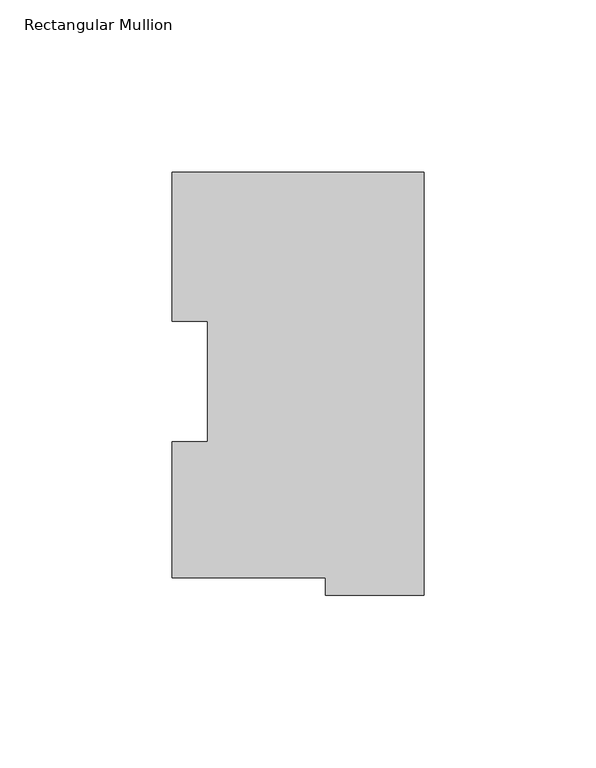
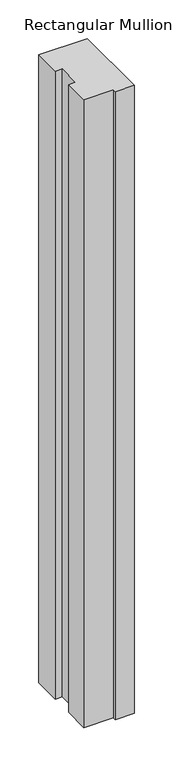
"""IFC4 building model written with IfcOpenShell, lengths in millimetres: member geometry, Rectangular Mullion."""

from ifc_helpers import new_model, si_unit, frame, origin, place, context, project, spatial, polyline, outline, extrude, source, transform, mapped, element, save


def rectangular_mullion_c4052246(model_context):
    return source(origin(), model_context, "Body", "SweptSolid", [
        extrude(outline(polyline([(-73.025, 117.827425), (0.0, 117.827425), (0.0, -4.778375), (-28.575, -4.778375), (-28.575, 0.225425), (-73.025, 0.225425), (-73.025, 39.646225), (-62.7126, 39.646225), (-62.7126, 74.596625), (-73.025, 74.596625), (-73.025, 117.827425)])), frame((0.0, 0.0, -995.333925), z_axis=(0.0, 0.0, 1.0), x_axis=(1.0, 0.0, 0.0)), (0.0, 0.0, 1.0), 995.333925),
    ])


if __name__ == "__main__":
    model = new_model("IFC4")
    model_context = context("Model", 3, world=origin())
    ifc_project = project(units=[si_unit("LENGTHUNIT", "METRE", prefix="MILLI")], contexts=[model_context])
    site = spatial("IfcSite", under=ifc_project)
    building = spatial("IfcBuilding", under=site)
    placement = place(None, origin())
    rectangular_mullion_shape = rectangular_mullion_c4052246(model_context)
    element("IfcMember", 1, ObjectType="Rectangular Mullion", at=placement, inside=building, context=model_context, shape_type="MappedRepresentation", body=[
        mapped(rectangular_mullion_shape, transform((0.0, 0.0, 0.0), x_axis=(1.0, 0.0, 0.0), y_axis=(0.0, 1.0, 0.0), z_axis=(0.0, 0.0, 1.0))),
    ])
    save(model, "model.ifc")
